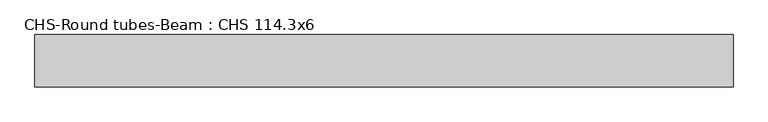
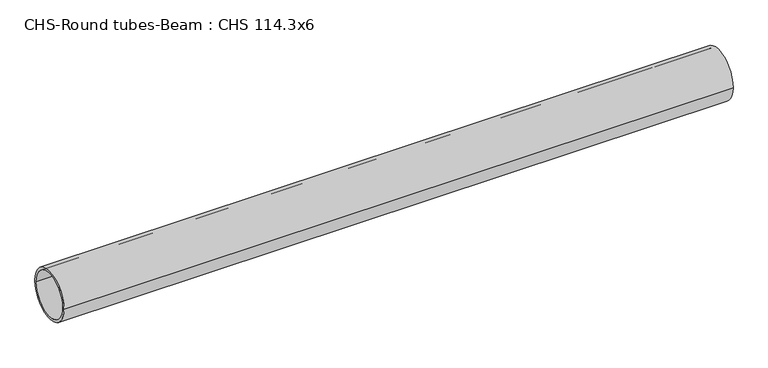
"""IFC4 building model written with IfcOpenShell, lengths in millimetres: beam geometry, CHS-Round tubes-Beam : CHS 114.3x6."""

from ifc_helpers import new_model, si_unit, point, frame, origin, origin_2d, place, context, project, spatial, circle_curve, trimmed, segment, composite_curve, outline, extrude, source, transform, mapped, element, save


def chs_round_tubes_beam_chs_114_3x6_4f0fdd3d(model_context):
    return source(origin(), model_context, "Body", "SweptSolid", [
        extrude(outline(composite_curve([segment(trimmed(circle_curve(origin_2d(), 57.15), [point((57.15, 0.0))], [point((-57.15, 0.0))], False, "CARTESIAN"), True, "CONTINUOUS"), segment(trimmed(circle_curve(origin_2d(), 57.15), [point((-57.15, 0.0))], [point((57.15, 0.0))], False, "CARTESIAN"), True, "CONTINUOUS")], self_intersect=False), holes=[composite_curve([segment(trimmed(circle_curve(origin_2d(), 51.15), [point((51.15, 0.0))], [point((-51.15, 0.0))], True, "CARTESIAN"), True, "CONTINUOUS"), segment(trimmed(circle_curve(origin_2d(), 51.15), [point((-51.15, 0.0))], [point((51.15, 0.0))], True, "CARTESIAN"), True, "CONTINUOUS")], self_intersect=False)]), frame((-736.5214473, 0.0, 0.0), z_axis=(1.0, 0.0, 0.0), x_axis=(0.0, 1.0, 0.0)), (0.0, 0.0, 1.0), 1517.8215024),
    ])


if __name__ == "__main__":
    model = new_model("IFC4")
    model_context = context("Model", 3, world=origin())
    ifc_project = project(units=[si_unit("LENGTHUNIT", "METRE", prefix="MILLI")], contexts=[model_context])
    site = spatial("IfcSite", under=ifc_project)
    building = spatial("IfcBuilding", under=site)
    placement = place(None, origin())
    chs_round_tubes_beam_chs_114_3x6_shape = chs_round_tubes_beam_chs_114_3x6_4f0fdd3d(model_context)
    element("IfcBeam", 1, ObjectType="CHS-Round tubes-Beam : CHS 114.3x6", at=placement, inside=building, context=model_context, shape_type="MappedRepresentation", body=[
        mapped(chs_round_tubes_beam_chs_114_3x6_shape, transform((0.0, 0.0, 0.0), x_axis=(1.0, 0.0, 0.0), y_axis=(0.0, 1.0, 0.0), z_axis=(0.0, 0.0, 1.0))),
    ])
    save(model, "model.ifc")
